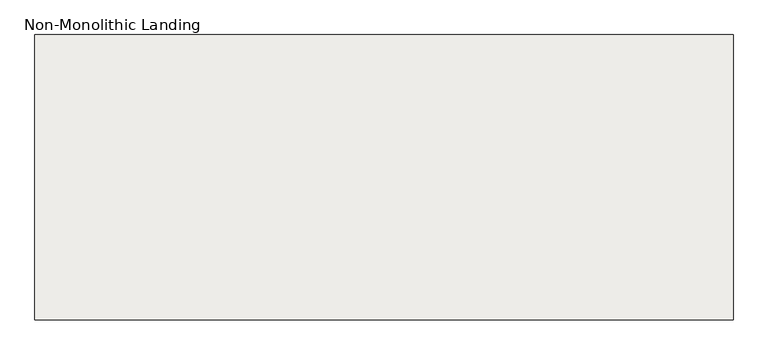
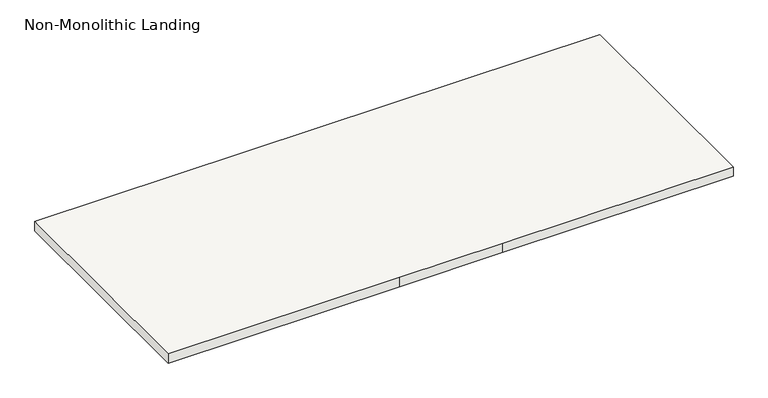
"""IFC4 building model written with IfcOpenShell, lengths in millimetres: slab geometry, Non-Monolithic Landing."""

import ifcopenshell
import ifcopenshell.guid

model = None  # the IFC model being written
_history = None  # IfcOwnerHistory: only IFC2X3 demands one
_inside = {}  # id of a spatial element -> (the spatial element, [elements in it])
_under = {}  # id of a project, library or spatial element -> (it, [spatial elements below it])
_declared = {}  # id of a project -> (the project, [libraries it declares])
_typed = {}  # id of a type object -> (the type object, [elements of that type])
_made_of = {}  # id of a material, layer set ... -> (it, [elements and type objects made of it])


def new_model(schema):
    """Start an empty IFC model of exactly this schema.

    Asked for "IFC4X3", IfcOpenShell would pick the latest addendum, in which some entities
    have other attributes; the version numbers below select the first issue.
    IFC2X3 requires an IfcOwnerHistory on every rooted entity: one is made here for all.
    """
    global model, _history
    if schema == "IFC4X3":
        model = ifcopenshell.file(schema_version=(4, 3, 0, 0))
    else:
        model = ifcopenshell.file(schema=schema)
    _inside.clear()
    _under.clear()
    _declared.clear()
    _typed.clear()
    _made_of.clear()
    _history = None
    if model.schema == "IFC2X3":
        org = make("IfcOrganization", Name="unknown")
        user = make(
            "IfcPersonAndOrganization",
            ThePerson=make("IfcPerson", FamilyName="unknown"),
            TheOrganization=org,
        )
        app = make(
            "IfcApplication",
            ApplicationDeveloper=org,
            Version="unknown",
            ApplicationFullName="unknown",
            ApplicationIdentifier="unknown",
        )
        _history = make(
            "IfcOwnerHistory",
            OwningUser=user,
            OwningApplication=app,
            ChangeAction="ADDED",
            CreationDate=0,
        )
    return model


def make(cls, **values):
    """One entity of the class cls with the attributes given. An attribute that is None is left unset."""
    return model.create_entity(
        cls, **{name: value for name, value in values.items() if value is not None}
    )


def rooted(cls, **values):
    """An entity with a GlobalId (a new one), such as an element, a storey or a relation."""
    return make(cls, GlobalId=ifcopenshell.guid.new(), OwnerHistory=_history, **values)


def si_unit(unit_type, name, prefix=None):
    """IfcSIUnit, for example si_unit("LENGTHUNIT", "METRE", prefix="MILLI")."""
    return make("IfcSIUnit", UnitType=unit_type, Prefix=prefix, Name=name)


def assignment(units):
    """IfcUnitAssignment: the units of a project."""
    return None if units is None else make("IfcUnitAssignment", Units=units)


def point(xyz):
    """IfcCartesianPoint."""
    return None if xyz is None else make("IfcCartesianPoint", Coordinates=xyz)


def direction(xyz):
    """IfcDirection."""
    return None if xyz is None else make("IfcDirection", DirectionRatios=xyz)


def frame(location, z_axis=None, x_axis=None):
    """IfcAxis2Placement3D, a coordinate frame: its origin and axes. An axis left out is left unset."""
    return make(
        "IfcAxis2Placement3D",
        Location=point(location),
        Axis=direction(z_axis),
        RefDirection=direction(x_axis),
    )


def origin():
    """The frame at (0, 0, 0) with its axes left unset."""
    return frame((0.0, 0.0, 0.0))


def place(relative_to, where):
    """IfcLocalPlacement: puts the frame where relative to a parent placement (None: the world)."""
    return make(
        "IfcLocalPlacement", PlacementRelTo=relative_to, RelativePlacement=where
    )


def context(
    kind, dimensions, precision=None, world=None, true_north=None, identifier=None
):
    """IfcGeometricRepresentationContext, for example the 3D "Model" context."""
    return make(
        "IfcGeometricRepresentationContext",
        ContextIdentifier=identifier,
        ContextType=kind,
        CoordinateSpaceDimension=dimensions,
        Precision=precision,
        WorldCoordinateSystem=world,
        TrueNorth=true_north,
    )


def project(units=None, contexts=None):
    """IfcProject with its units and contexts."""
    return rooted(
        "IfcProject",
        Name="project",
        RepresentationContexts=contexts,
        UnitsInContext=assignment(units),
    )


def spatial(cls, under=None, at=None, **own):
    """A site, building, storey or space (cls), placed at a placement, below another one or the project."""
    s = rooted(cls, ObjectPlacement=at, **own)
    if under is not None:
        _under.setdefault(under.id(), (under, []))[1].append(s)
    return s


def polyline(points):
    """IfcPolyline through the points."""
    return make("IfcPolyline", Points=[point(p) for p in points])


def outline(outer, holes=None, kind="AREA"):
    """IfcArbitraryClosedProfileDef: a profile drawn as a closed curve; with holes, ...WithVoids."""
    if holes is None:
        return make("IfcArbitraryClosedProfileDef", ProfileType=kind, OuterCurve=outer)
    return make(
        "IfcArbitraryProfileDefWithVoids",
        ProfileType=kind,
        OuterCurve=outer,
        InnerCurves=holes,
    )


def extrude(swept, where, along, depth):
    """IfcExtrudedAreaSolid: the profile swept, set in the frame where, extruded along a direction by depth."""
    return make(
        "IfcExtrudedAreaSolid",
        SweptArea=swept,
        Position=where,
        ExtrudedDirection=direction(along),
        Depth=depth,
    )


def shape(context_of_items, identifier, shape_type, items):
    """IfcShapeRepresentation: the items that make up one representation, for example the "Body"."""
    return make(
        "IfcShapeRepresentation",
        ContextOfItems=context_of_items,
        RepresentationIdentifier=identifier,
        RepresentationType=shape_type,
        Items=items,
    )


def source(mapping_origin, context_of_items, identifier, shape_type, items):
    """IfcRepresentationMap: a shape defined once, which mapped items show again and again."""
    return make(
        "IfcRepresentationMap",
        MappingOrigin=mapping_origin,
        MappedRepresentation=shape(context_of_items, identifier, shape_type, items),
    )


def transform(
    local_origin,
    x_axis=None,
    y_axis=None,
    z_axis=None,
    scale=None,
    scale2=None,
    scale3=None,
    uniform=True,
):
    """IfcCartesianTransformationOperator3D, or its non-uniform kind. x_axis, y_axis, z_axis: its Axis1, 2, 3."""
    if uniform:
        return make(
            "IfcCartesianTransformationOperator3D",
            Axis1=direction(x_axis),
            Axis2=direction(y_axis),
            LocalOrigin=point(local_origin),
            Scale=scale,
            Axis3=direction(z_axis),
        )
    return make(
        "IfcCartesianTransformationOperator3DnonUniform",
        Axis1=direction(x_axis),
        Axis2=direction(y_axis),
        LocalOrigin=point(local_origin),
        Scale=scale,
        Axis3=direction(z_axis),
        Scale2=scale2,
        Scale3=scale3,
    )


def mapped(mapping_source, mapping_target):
    """IfcMappedItem: shows the shape of a source again, moved by a transform."""
    return make(
        "IfcMappedItem", MappingSource=mapping_source, MappingTarget=mapping_target
    )


def made_of(thing, what):
    """Note that an element or type object is made of a material, layer set ...; save() writes the relation."""
    if what is not None:
        _made_of.setdefault(what.id(), (what, []))[1].append(thing)
    return thing


def element(
    cls,
    number,
    at=None,
    inside=None,
    cuts=None,
    type_object=None,
    material=None,
    context=None,
    identifier="Body",
    shape_type=None,
    held_by="IfcProductDefinitionShape",
    body=None,
    shapes=None,
    **own,
):
    """One element of the class cls, such as IfcWall. Its Tag is "e" and its number.

    at: its placement. inside: the storey or other place that contains it. cuts: it is an
    opening in that element (IfcRelVoidsElement). A single representation is given by context,
    identifier, shape_type and body (its items); several are given by shapes. held_by: the class
    of the entity that holds the representations. save() writes the other relations.
    """
    e = rooted(cls, Tag="e%d" % number, ObjectPlacement=at, **own)
    if body is not None:
        shapes = [shape(context, identifier, shape_type, body)]
    if shapes is not None:
        e.Representation = make(held_by, Representations=shapes)
    if inside is not None:
        _inside.setdefault(inside.id(), (inside, []))[1].append(e)
    if cuts is not None:
        rooted(
            "IfcRelVoidsElement", RelatingBuildingElement=cuts, RelatedOpeningElement=e
        )
    if type_object is not None:
        _typed.setdefault(type_object.id(), (type_object, []))[1].append(e)
    return made_of(e, material)


def aggregate(whole, parts):
    """IfcRelAggregates: a whole, such as a stair, and the parts it consists of."""
    return rooted("IfcRelAggregates", RelatingObject=whole, RelatedObjects=parts)


def save(model, path):
    """Write the relations noted so far, then the file.

    IfcRelAggregates (storeys below a building ...), IfcRelContainedInSpatialStructure (elements
    in a storey), IfcRelDefinesByType, IfcRelAssociatesMaterial and IfcRelDeclares: one each for
    every whole, place, type object, material and project.
    """
    for whole, parts in _under.values():
        aggregate(whole, parts)
    for where, things in _inside.values():
        rooted(
            "IfcRelContainedInSpatialStructure",
            RelatedElements=things,
            RelatingStructure=where,
        )
    for kind, things in _typed.values():
        rooted("IfcRelDefinesByType", RelatedObjects=things, RelatingType=kind)
    for what, things in _made_of.values():
        rooted("IfcRelAssociatesMaterial", RelatedObjects=things, RelatingMaterial=what)
    for by, libraries in _declared.values():
        rooted("IfcRelDeclares", RelatingContext=by, RelatedDefinitions=libraries)
    model.write(path)


def non_monolithic_landing_ce68d960(model_context):
    return source(origin(), model_context, "Body", "SweptSolid", [
        extrude(outline(polyline([(-22618.8294643, 2827.8449078), (-22618.8294643, 4027.8449078), (-19682.9044643, 4027.8449078), (-19682.9044643, 2827.8449078), (-20882.9044643, 2827.8449078), (-21418.8294643, 2827.8449078), (-22618.8294643, 2827.8449078)])), frame((0.0, 0.0, 14525.0), z_axis=(0.0, 0.0, 1.0), x_axis=(1.0, 0.0, 0.0)), (0.0, 0.0, 1.0), 50.0),
    ])


if __name__ == "__main__":
    model = new_model("IFC4")
    model_context = context("Model", 3, world=origin())
    ifc_project = project(units=[si_unit("LENGTHUNIT", "METRE", prefix="MILLI")], contexts=[model_context])
    site = spatial("IfcSite", under=ifc_project)
    building = spatial("IfcBuilding", under=site)
    placement = place(None, origin())
    non_monolithic_landing_shape = non_monolithic_landing_ce68d960(model_context)
    element("IfcSlab", 1, ObjectType="Non-Monolithic Landing", at=placement, inside=building, context=model_context, shape_type="MappedRepresentation", body=[
        mapped(non_monolithic_landing_shape, transform((0.0, 0.0, 0.0), x_axis=(1.0, 0.0, 0.0), y_axis=(0.0, 1.0, 0.0), z_axis=(0.0, 0.0, 1.0))),
    ])
    save(model, "model.ifc")
